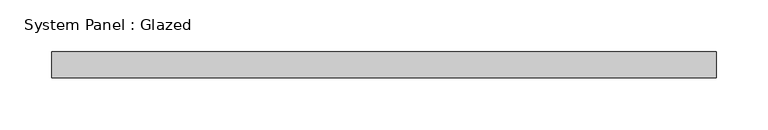
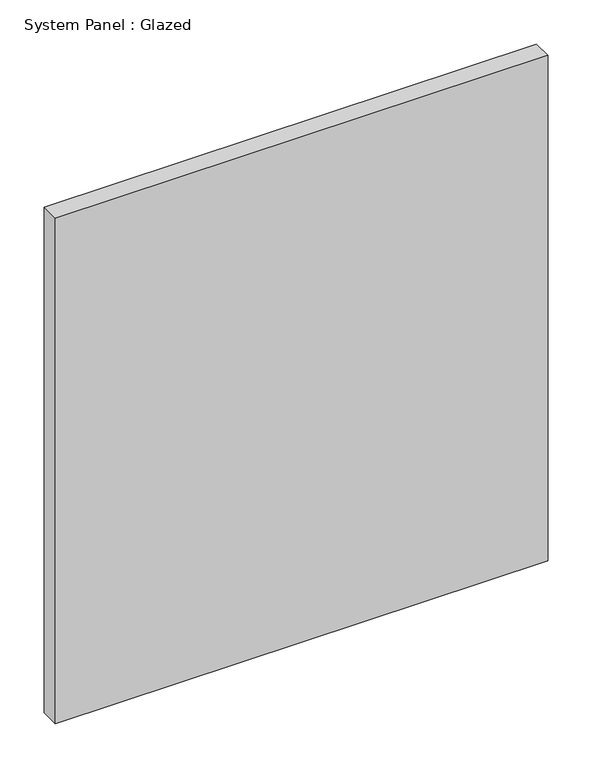
"""IFC4 building model written with IfcOpenShell, lengths in millimetres: plate geometry, System Panel : Glazed."""

from ifc_helpers import new_model, si_unit, origin, origin_with_axes, place, context, project, spatial, polyline, outline, extrude, source, transform, mapped, element, save


def system_panel_glazed_c4b1a8be(model_context):
    return source(origin(), model_context, "Body", "SweptSolid", [
        extrude(outline(polyline([(322.0482308, 19.05), (-322.0482308, 19.05), (-322.0482308, 44.45), (322.0482308, 44.45), (322.0482308, 19.05)])), origin_with_axes(), (0.0, 0.0, 1.0), 698.5),
    ])


if __name__ == "__main__":
    model = new_model("IFC4")
    model_context = context("Model", 3, world=origin())
    ifc_project = project(units=[si_unit("LENGTHUNIT", "METRE", prefix="MILLI")], contexts=[model_context])
    site = spatial("IfcSite", under=ifc_project)
    building = spatial("IfcBuilding", under=site)
    placement = place(None, origin())
    system_panel_glazed_shape = system_panel_glazed_c4b1a8be(model_context)
    element("IfcPlate", 1, ObjectType="System Panel : Glazed", at=placement, inside=building, context=model_context, shape_type="MappedRepresentation", body=[
        mapped(system_panel_glazed_shape, transform((0.0, 0.0, 0.0), x_axis=(1.0, 0.0, 0.0), y_axis=(0.0, 1.0, 0.0), z_axis=(0.0, 0.0, 1.0))),
    ])
    save(model, "model.ifc")
